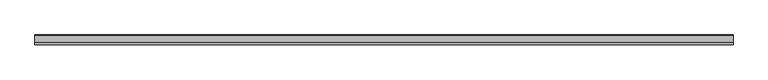
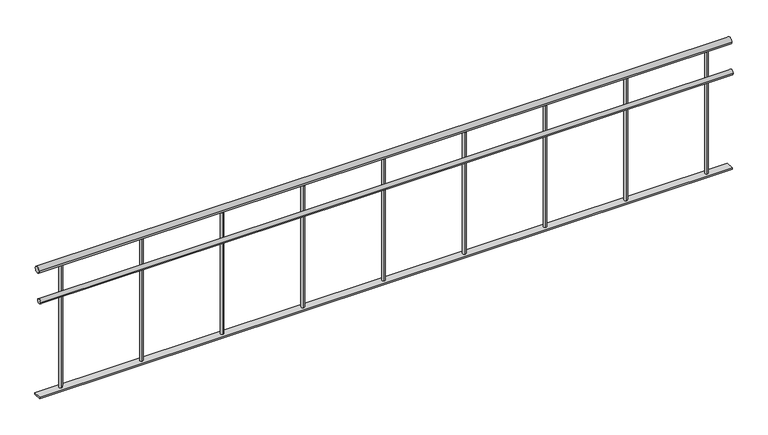
"""IFC4 building model written with IfcOpenShell, lengths in millimetres: railing geometry."""

import ifcopenshell
import ifcopenshell.guid

model = None  # the IFC model being written
_history = None  # IfcOwnerHistory: only IFC2X3 demands one
_inside = {}  # id of a spatial element -> (the spatial element, [elements in it])
_under = {}  # id of a project, library or spatial element -> (it, [spatial elements below it])
_declared = {}  # id of a project -> (the project, [libraries it declares])
_typed = {}  # id of a type object -> (the type object, [elements of that type])
_made_of = {}  # id of a material, layer set ... -> (it, [elements and type objects made of it])


def new_model(schema):
    """Start an empty IFC model of exactly this schema.

    Asked for "IFC4X3", IfcOpenShell would pick the latest addendum, in which some entities
    have other attributes; the version numbers below select the first issue.
    IFC2X3 requires an IfcOwnerHistory on every rooted entity: one is made here for all.
    """
    global model, _history
    if schema == "IFC4X3":
        model = ifcopenshell.file(schema_version=(4, 3, 0, 0))
    else:
        model = ifcopenshell.file(schema=schema)
    _inside.clear()
    _under.clear()
    _declared.clear()
    _typed.clear()
    _made_of.clear()
    _history = None
    if model.schema == "IFC2X3":
        org = make("IfcOrganization", Name="unknown")
        user = make(
            "IfcPersonAndOrganization",
            ThePerson=make("IfcPerson", FamilyName="unknown"),
            TheOrganization=org,
        )
        app = make(
            "IfcApplication",
            ApplicationDeveloper=org,
            Version="unknown",
            ApplicationFullName="unknown",
            ApplicationIdentifier="unknown",
        )
        _history = make(
            "IfcOwnerHistory",
            OwningUser=user,
            OwningApplication=app,
            ChangeAction="ADDED",
            CreationDate=0,
        )
    return model


def make(cls, **values):
    """One entity of the class cls with the attributes given. An attribute that is None is left unset."""
    return model.create_entity(
        cls, **{name: value for name, value in values.items() if value is not None}
    )


def rooted(cls, **values):
    """An entity with a GlobalId (a new one), such as an element, a storey or a relation."""
    return make(cls, GlobalId=ifcopenshell.guid.new(), OwnerHistory=_history, **values)


def si_unit(unit_type, name, prefix=None):
    """IfcSIUnit, for example si_unit("LENGTHUNIT", "METRE", prefix="MILLI")."""
    return make("IfcSIUnit", UnitType=unit_type, Prefix=prefix, Name=name)


def assignment(units):
    """IfcUnitAssignment: the units of a project."""
    return None if units is None else make("IfcUnitAssignment", Units=units)


def point(xyz):
    """IfcCartesianPoint."""
    return None if xyz is None else make("IfcCartesianPoint", Coordinates=xyz)


def direction(xyz):
    """IfcDirection."""
    return None if xyz is None else make("IfcDirection", DirectionRatios=xyz)


def frame(location, z_axis=None, x_axis=None):
    """IfcAxis2Placement3D, a coordinate frame: its origin and axes. An axis left out is left unset."""
    return make(
        "IfcAxis2Placement3D",
        Location=point(location),
        Axis=direction(z_axis),
        RefDirection=direction(x_axis),
    )


def frame_2d(location, x_axis=None):
    """IfcAxis2Placement2D, a coordinate frame in the plane: its origin and x axis."""
    return make(
        "IfcAxis2Placement2D", Location=point(location), RefDirection=direction(x_axis)
    )


def origin():
    """The frame at (0, 0, 0) with its axes left unset."""
    return frame((0.0, 0.0, 0.0))


def place(relative_to, where):
    """IfcLocalPlacement: puts the frame where relative to a parent placement (None: the world)."""
    return make(
        "IfcLocalPlacement", PlacementRelTo=relative_to, RelativePlacement=where
    )


def context(
    kind, dimensions, precision=None, world=None, true_north=None, identifier=None
):
    """IfcGeometricRepresentationContext, for example the 3D "Model" context."""
    return make(
        "IfcGeometricRepresentationContext",
        ContextIdentifier=identifier,
        ContextType=kind,
        CoordinateSpaceDimension=dimensions,
        Precision=precision,
        WorldCoordinateSystem=world,
        TrueNorth=true_north,
    )


def project(units=None, contexts=None):
    """IfcProject with its units and contexts."""
    return rooted(
        "IfcProject",
        Name="project",
        RepresentationContexts=contexts,
        UnitsInContext=assignment(units),
    )


def spatial(cls, under=None, at=None, **own):
    """A site, building, storey or space (cls), placed at a placement, below another one or the project."""
    s = rooted(cls, ObjectPlacement=at, **own)
    if under is not None:
        _under.setdefault(under.id(), (under, []))[1].append(s)
    return s


def polyline(points):
    """IfcPolyline through the points."""
    return make("IfcPolyline", Points=[point(p) for p in points])


def circle_curve(where, radius):
    """IfcCircle in the frame where."""
    return make("IfcCircle", Position=where, Radius=radius)


def trimmed(basis, trim1, trim2, sense, master):
    """IfcTrimmedCurve: the piece of a basis curve between two trims."""
    return make(
        "IfcTrimmedCurve",
        BasisCurve=basis,
        Trim1=trim1,
        Trim2=trim2,
        SenseAgreement=sense,
        MasterRepresentation=master,
    )


def segment(curve, same_sense, transition):
    """IfcCompositeCurveSegment."""
    return make(
        "IfcCompositeCurveSegment",
        Transition=transition,
        SameSense=same_sense,
        ParentCurve=curve,
    )


def composite_curve(segments, self_intersect=None):
    """IfcCompositeCurve: segments joined end to end."""
    return make("IfcCompositeCurve", Segments=segments, SelfIntersect=self_intersect)


def outline(outer, holes=None, kind="AREA"):
    """IfcArbitraryClosedProfileDef: a profile drawn as a closed curve; with holes, ...WithVoids."""
    if holes is None:
        return make("IfcArbitraryClosedProfileDef", ProfileType=kind, OuterCurve=outer)
    return make(
        "IfcArbitraryProfileDefWithVoids",
        ProfileType=kind,
        OuterCurve=outer,
        InnerCurves=holes,
    )


def extrude(swept, where, along, depth):
    """IfcExtrudedAreaSolid: the profile swept, set in the frame where, extruded along a direction by depth."""
    return make(
        "IfcExtrudedAreaSolid",
        SweptArea=swept,
        Position=where,
        ExtrudedDirection=direction(along),
        Depth=depth,
    )


def shape(context_of_items, identifier, shape_type, items):
    """IfcShapeRepresentation: the items that make up one representation, for example the "Body"."""
    return make(
        "IfcShapeRepresentation",
        ContextOfItems=context_of_items,
        RepresentationIdentifier=identifier,
        RepresentationType=shape_type,
        Items=items,
    )


def source(mapping_origin, context_of_items, identifier, shape_type, items):
    """IfcRepresentationMap: a shape defined once, which mapped items show again and again."""
    return make(
        "IfcRepresentationMap",
        MappingOrigin=mapping_origin,
        MappedRepresentation=shape(context_of_items, identifier, shape_type, items),
    )


def transform(
    local_origin,
    x_axis=None,
    y_axis=None,
    z_axis=None,
    scale=None,
    scale2=None,
    scale3=None,
    uniform=True,
):
    """IfcCartesianTransformationOperator3D, or its non-uniform kind. x_axis, y_axis, z_axis: its Axis1, 2, 3."""
    if uniform:
        return make(
            "IfcCartesianTransformationOperator3D",
            Axis1=direction(x_axis),
            Axis2=direction(y_axis),
            LocalOrigin=point(local_origin),
            Scale=scale,
            Axis3=direction(z_axis),
        )
    return make(
        "IfcCartesianTransformationOperator3DnonUniform",
        Axis1=direction(x_axis),
        Axis2=direction(y_axis),
        LocalOrigin=point(local_origin),
        Scale=scale,
        Axis3=direction(z_axis),
        Scale2=scale2,
        Scale3=scale3,
    )


def mapped(mapping_source, mapping_target):
    """IfcMappedItem: shows the shape of a source again, moved by a transform."""
    return make(
        "IfcMappedItem", MappingSource=mapping_source, MappingTarget=mapping_target
    )


def made_of(thing, what):
    """Note that an element or type object is made of a material, layer set ...; save() writes the relation."""
    if what is not None:
        _made_of.setdefault(what.id(), (what, []))[1].append(thing)
    return thing


def element(
    cls,
    number,
    at=None,
    inside=None,
    cuts=None,
    type_object=None,
    material=None,
    context=None,
    identifier="Body",
    shape_type=None,
    held_by="IfcProductDefinitionShape",
    body=None,
    shapes=None,
    **own,
):
    """One element of the class cls, such as IfcWall. Its Tag is "e" and its number.

    at: its placement. inside: the storey or other place that contains it. cuts: it is an
    opening in that element (IfcRelVoidsElement). A single representation is given by context,
    identifier, shape_type and body (its items); several are given by shapes. held_by: the class
    of the entity that holds the representations. save() writes the other relations.
    """
    e = rooted(cls, Tag="e%d" % number, ObjectPlacement=at, **own)
    if body is not None:
        shapes = [shape(context, identifier, shape_type, body)]
    if shapes is not None:
        e.Representation = make(held_by, Representations=shapes)
    if inside is not None:
        _inside.setdefault(inside.id(), (inside, []))[1].append(e)
    if cuts is not None:
        rooted(
            "IfcRelVoidsElement", RelatingBuildingElement=cuts, RelatedOpeningElement=e
        )
    if type_object is not None:
        _typed.setdefault(type_object.id(), (type_object, []))[1].append(e)
    return made_of(e, material)


def aggregate(whole, parts):
    """IfcRelAggregates: a whole, such as a stair, and the parts it consists of."""
    return rooted("IfcRelAggregates", RelatingObject=whole, RelatedObjects=parts)


def save(model, path):
    """Write the relations noted so far, then the file.

    IfcRelAggregates (storeys below a building ...), IfcRelContainedInSpatialStructure (elements
    in a storey), IfcRelDefinesByType, IfcRelAssociatesMaterial and IfcRelDeclares: one each for
    every whole, place, type object, material and project.
    """
    for whole, parts in _under.values():
        aggregate(whole, parts)
    for where, things in _inside.values():
        rooted(
            "IfcRelContainedInSpatialStructure",
            RelatedElements=things,
            RelatingStructure=where,
        )
    for kind, things in _typed.values():
        rooted("IfcRelDefinesByType", RelatedObjects=things, RelatingType=kind)
    for what, things in _made_of.values():
        rooted("IfcRelAssociatesMaterial", RelatedObjects=things, RelatingMaterial=what)
    for by, libraries in _declared.values():
        rooted("IfcRelDeclares", RelatingContext=by, RelatedDefinitions=libraries)
    model.write(path)


def railing_b1451c1a(model_context):
    return source(origin(), model_context, "Body", "SweptSolid", [
        extrude(outline(composite_curve([segment(trimmed(circle_curve(frame_2d((-6046.8920513, 880.0)), 20.0), [point((-6026.8920513, 880.0))], [point((-6066.8920513, 880.0))], False, "CARTESIAN"), True, "CONTINUOUS"), segment(trimmed(circle_curve(frame_2d((-6046.8920513, 880.0)), 20.0), [point((-6066.8920513, 880.0))], [point((-6026.8920513, 880.0))], False, "CARTESIAN"), True, "CONTINUOUS")], self_intersect=False)), frame((-52389.9887159, 0.0, 0.0), z_axis=(1.0, 0.0, 0.0), x_axis=(0.0, 1.0, 0.0)), (0.0, 0.0, 1.0), 4290.0),
        extrude(outline(composite_curve([segment(trimmed(circle_curve(frame_2d((-6066.8920513, 685.0)), 15.0), [point((-6051.8920513, 685.0))], [point((-6081.8920513, 685.0))], False, "CARTESIAN"), True, "CONTINUOUS"), segment(trimmed(circle_curve(frame_2d((-6066.8920513, 685.0)), 15.0), [point((-6081.8920513, 685.0))], [point((-6051.8920513, 685.0))], False, "CARTESIAN"), True, "CONTINUOUS")], self_intersect=False)), frame((-52389.9887159, 0.0, 0.0), z_axis=(1.0, 0.0, 0.0), x_axis=(0.0, 1.0, 0.0)), (0.0, 0.0, 1.0), 4290.0),
        extrude(outline(polyline([(-52389.9887159, -6071.8920513), (-52389.9887159, -6021.8920513), (-48099.9887159, -6021.8920513), (-48099.9887159, -6071.8920513), (-52389.9887159, -6071.8920513)])), frame((0.0, 0.0, 50.0), z_axis=(0.0, 0.0, 1.0), x_axis=(1.0, 0.0, 0.0)), (0.0, 0.0, 1.0), 10.0),
        extrude(outline(composite_curve([segment(trimmed(circle_curve(frame_2d((-48244.9887159, -6046.8920513)), 10.0), [point((-48244.9887159, -6036.8920513))], [point((-48244.9887159, -6056.8920513))], False, "CARTESIAN"), True, "CONTINUOUS"), segment(trimmed(circle_curve(frame_2d((-48244.9887159, -6046.8920513)), 10.0), [point((-48244.9887159, -6056.8920513))], [point((-48244.9887159, -6036.8920513))], False, "CARTESIAN"), True, "CONTINUOUS")], self_intersect=False)), frame((0.0, 0.0, 60.0), z_axis=(0.0, 0.0, 1.0), x_axis=(1.0, 0.0, 0.0)), (0.0, 0.0, 1.0), 800.0),
        extrude(outline(composite_curve([segment(trimmed(circle_curve(frame_2d((-48744.9887159, -6046.8920513)), 10.0), [point((-48744.9887159, -6036.8920513))], [point((-48744.9887159, -6056.8920513))], False, "CARTESIAN"), True, "CONTINUOUS"), segment(trimmed(circle_curve(frame_2d((-48744.9887159, -6046.8920513)), 10.0), [point((-48744.9887159, -6056.8920513))], [point((-48744.9887159, -6036.8920513))], False, "CARTESIAN"), True, "CONTINUOUS")], self_intersect=False)), frame((0.0, 0.0, 60.0), z_axis=(0.0, 0.0, 1.0), x_axis=(1.0, 0.0, 0.0)), (0.0, 0.0, 1.0), 800.0),
        extrude(outline(composite_curve([segment(trimmed(circle_curve(frame_2d((-49244.9887159, -6046.8920513)), 10.0), [point((-49244.9887159, -6036.8920513))], [point((-49244.9887159, -6056.8920513))], False, "CARTESIAN"), True, "CONTINUOUS"), segment(trimmed(circle_curve(frame_2d((-49244.9887159, -6046.8920513)), 10.0), [point((-49244.9887159, -6056.8920513))], [point((-49244.9887159, -6036.8920513))], False, "CARTESIAN"), True, "CONTINUOUS")], self_intersect=False)), frame((0.0, 0.0, 60.0), z_axis=(0.0, 0.0, 1.0), x_axis=(1.0, 0.0, 0.0)), (0.0, 0.0, 1.0), 800.0),
        extrude(outline(composite_curve([segment(trimmed(circle_curve(frame_2d((-49744.9887159, -6046.8920513)), 10.0), [point((-49744.9887159, -6036.8920513))], [point((-49744.9887159, -6056.8920513))], False, "CARTESIAN"), True, "CONTINUOUS"), segment(trimmed(circle_curve(frame_2d((-49744.9887159, -6046.8920513)), 10.0), [point((-49744.9887159, -6056.8920513))], [point((-49744.9887159, -6036.8920513))], False, "CARTESIAN"), True, "CONTINUOUS")], self_intersect=False)), frame((0.0, 0.0, 60.0), z_axis=(0.0, 0.0, 1.0), x_axis=(1.0, 0.0, 0.0)), (0.0, 0.0, 1.0), 800.0),
        extrude(outline(composite_curve([segment(trimmed(circle_curve(frame_2d((-50244.9887159, -6046.8920513)), 10.0), [point((-50244.9887159, -6036.8920513))], [point((-50244.9887159, -6056.8920513))], False, "CARTESIAN"), True, "CONTINUOUS"), segment(trimmed(circle_curve(frame_2d((-50244.9887159, -6046.8920513)), 10.0), [point((-50244.9887159, -6056.8920513))], [point((-50244.9887159, -6036.8920513))], False, "CARTESIAN"), True, "CONTINUOUS")], self_intersect=False)), frame((0.0, 0.0, 60.0), z_axis=(0.0, 0.0, 1.0), x_axis=(1.0, 0.0, 0.0)), (0.0, 0.0, 1.0), 800.0),
        extrude(outline(composite_curve([segment(trimmed(circle_curve(frame_2d((-50744.9887159, -6046.8920513)), 10.0), [point((-50744.9887159, -6036.8920513))], [point((-50744.9887159, -6056.8920513))], False, "CARTESIAN"), True, "CONTINUOUS"), segment(trimmed(circle_curve(frame_2d((-50744.9887159, -6046.8920513)), 10.0), [point((-50744.9887159, -6056.8920513))], [point((-50744.9887159, -6036.8920513))], False, "CARTESIAN"), True, "CONTINUOUS")], self_intersect=False)), frame((0.0, 0.0, 60.0), z_axis=(0.0, 0.0, 1.0), x_axis=(1.0, 0.0, 0.0)), (0.0, 0.0, 1.0), 800.0),
        extrude(outline(composite_curve([segment(trimmed(circle_curve(frame_2d((-51244.9887159, -6046.8920513)), 10.0), [point((-51244.9887159, -6036.8920513))], [point((-51244.9887159, -6056.8920513))], False, "CARTESIAN"), True, "CONTINUOUS"), segment(trimmed(circle_curve(frame_2d((-51244.9887159, -6046.8920513)), 10.0), [point((-51244.9887159, -6056.8920513))], [point((-51244.9887159, -6036.8920513))], False, "CARTESIAN"), True, "CONTINUOUS")], self_intersect=False)), frame((0.0, 0.0, 60.0), z_axis=(0.0, 0.0, 1.0), x_axis=(1.0, 0.0, 0.0)), (0.0, 0.0, 1.0), 800.0),
        extrude(outline(composite_curve([segment(trimmed(circle_curve(frame_2d((-51744.9887159, -6046.8920513)), 10.0), [point((-51744.9887159, -6036.8920513))], [point((-51744.9887159, -6056.8920513))], False, "CARTESIAN"), True, "CONTINUOUS"), segment(trimmed(circle_curve(frame_2d((-51744.9887159, -6046.8920513)), 10.0), [point((-51744.9887159, -6056.8920513))], [point((-51744.9887159, -6036.8920513))], False, "CARTESIAN"), True, "CONTINUOUS")], self_intersect=False)), frame((0.0, 0.0, 60.0), z_axis=(0.0, 0.0, 1.0), x_axis=(1.0, 0.0, 0.0)), (0.0, 0.0, 1.0), 800.0),
        extrude(outline(composite_curve([segment(trimmed(circle_curve(frame_2d((-52244.9887159, -6046.8920513)), 10.0), [point((-52244.9887159, -6036.8920513))], [point((-52244.9887159, -6056.8920513))], False, "CARTESIAN"), True, "CONTINUOUS"), segment(trimmed(circle_curve(frame_2d((-52244.9887159, -6046.8920513)), 10.0), [point((-52244.9887159, -6056.8920513))], [point((-52244.9887159, -6036.8920513))], False, "CARTESIAN"), True, "CONTINUOUS")], self_intersect=False)), frame((0.0, 0.0, 60.0), z_axis=(0.0, 0.0, 1.0), x_axis=(1.0, 0.0, 0.0)), (0.0, 0.0, 1.0), 800.0),
    ])


if __name__ == "__main__":
    model = new_model("IFC4")
    model_context = context("Model", 3, world=origin())
    ifc_project = project(units=[si_unit("LENGTHUNIT", "METRE", prefix="MILLI")], contexts=[model_context])
    site = spatial("IfcSite", under=ifc_project)
    building = spatial("IfcBuilding", under=site)
    placement = place(None, origin())
    railing_shape = railing_b1451c1a(model_context)
    element("IfcRailing", 1, at=placement, inside=building, context=model_context, shape_type="MappedRepresentation", body=[
        mapped(railing_shape, transform((0.0, 0.0, 0.0), x_axis=(1.0, 0.0, 0.0), y_axis=(0.0, 1.0, 0.0), z_axis=(0.0, 0.0, 1.0))),
    ])
    save(model, "model.ifc")
